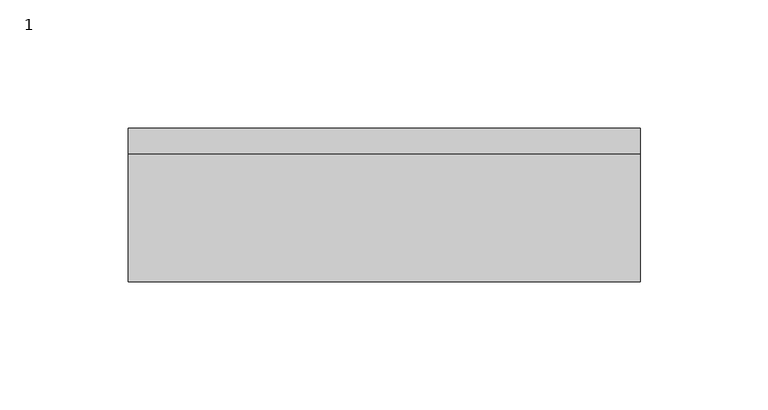
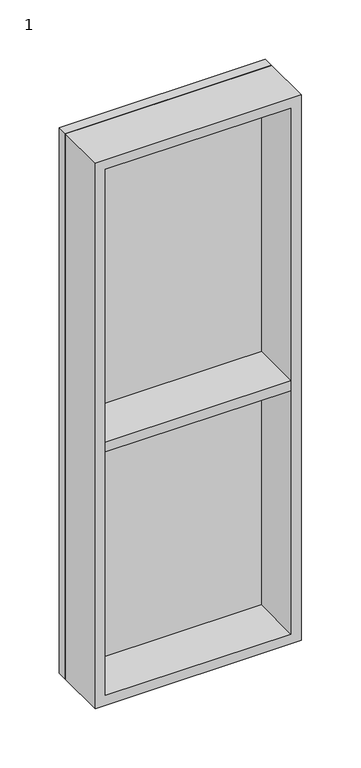
"""IFC4 building model written with IfcOpenShell, lengths in millimetres: proxy geometry, 1."""

from ifc_helpers import new_model, si_unit, frame, origin, place, context, project, spatial, polyline, outline, extrude, source, transform, mapped, element, save


def proxy_1_95827f7c(model_context):
    return source(origin(), model_context, "Body", "SweptSolid", [
        extrude(outline(polyline([(200.0, -10.0), (0.0, -10.0), (0.0, 0.0), (200.0, 0.0), (200.0, -10.0)])), frame((0.0, 0.0, 50.0), z_axis=(0.0, 0.0, 1.0), x_axis=(1.0, 0.0, 0.0)), (0.0, 0.0, 1.0), 560.0),
        extrude(outline(polyline([(190.0, -60.0), (10.0, -60.0), (10.0, -10.0), (190.0, -10.0), (190.0, -60.0)])), frame((0.0, 0.0, 310.0), z_axis=(0.0, 0.0, 1.0), x_axis=(1.0, 0.0, 0.0)), (0.0, 0.0, 1.0), 10.0),
        extrude(outline(polyline([(610.0, 200.0), (610.0, 0.0), (50.0, 0.0), (50.0, 200.0), (610.0, 200.0)]), holes=[polyline([(600.0, 190.0), (60.0, 190.0), (60.0, 10.0), (600.0, 10.0), (600.0, 190.0)])]), frame((0.0, -60.0, 0.0), z_axis=(0.0, 1.0, 0.0), x_axis=(0.0, 0.0, 1.0)), (0.0, 0.0, 1.0), 50.0),
    ])


if __name__ == "__main__":
    model = new_model("IFC4")
    model_context = context("Model", 3, world=origin())
    ifc_project = project(units=[si_unit("LENGTHUNIT", "METRE", prefix="MILLI")], contexts=[model_context])
    site = spatial("IfcSite", under=ifc_project)
    building = spatial("IfcBuilding", under=site)
    placement = place(None, origin())
    proxy_1_shape = proxy_1_95827f7c(model_context)
    element("IfcBuildingElementProxy", 1, Name="1", ObjectType="1", at=placement, inside=building, context=model_context, shape_type="MappedRepresentation", body=[
        mapped(proxy_1_shape, transform((0.0, 0.0, 0.0), x_axis=(1.0, 0.0, 0.0), y_axis=(0.0, 1.0, 0.0), z_axis=(0.0, 0.0, 1.0))),
    ])
    save(model, "model.ifc")
